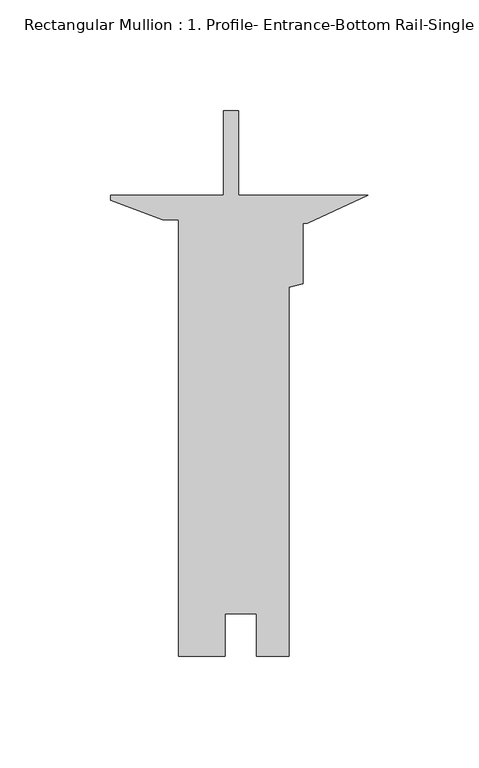
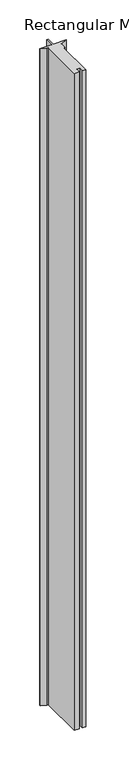
"""IFC4 building model written with IfcOpenShell, lengths in millimetres: member geometry, Rectangular Mullion : 1. Profile- Entrance-Bottom Rail-Single Acting- Detail-2."""

from ifc_helpers import new_model, si_unit, frame, origin, place, context, project, spatial, polyline, outline, extrude, source, transform, mapped, element, save


def rectangular_mullion_1_profile_entrance_bottom_rail_single_a109e44b(model_context):
    return source(origin(), model_context, "Body", "SweptSolid", [
        extrude(outline(polyline([(-116.2538462, -2.38125), (-116.2538462, -0.0012264), (-65.3347837, -0.0012264), (-65.3347837, 38.1), (-58.6037837, 38.1), (-58.6037837, 0.0), (0.0, 0.0), (-27.3538462, -12.7), (-29.4493462, -12.7), (-29.4493462, -39.9392826), (-35.7993462, -41.64076), (-35.7993462, -207.9637713), (-50.3916462, -207.9637713), (-50.3916462, -188.9391713), (-64.708345, -188.9391713), (-64.708345, -207.96377), (-85.5833462, -207.96377), (-85.5833462, -11.1125), (-92.8382212, -11.1125), (-116.2538462, -2.38125)])), frame((0.0, 0.0, -3048.0), z_axis=(0.0, 0.0, 1.0), x_axis=(1.0, 0.0, 0.0)), (0.0, 0.0, 1.0), 3048.0),
    ])


if __name__ == "__main__":
    model = new_model("IFC4")
    model_context = context("Model", 3, world=origin())
    ifc_project = project(units=[si_unit("LENGTHUNIT", "METRE", prefix="MILLI")], contexts=[model_context])
    site = spatial("IfcSite", under=ifc_project)
    building = spatial("IfcBuilding", under=site)
    placement = place(None, origin())
    rectangular_mullion_1_profile_entrance_bottom_rail_single_shape = rectangular_mullion_1_profile_entrance_bottom_rail_single_a109e44b(model_context)
    element("IfcMember", 1, ObjectType="Rectangular Mullion : 1. Profile- Entrance-Bottom Rail-Single Acting- Detail-2", at=placement, inside=building, context=model_context, shape_type="MappedRepresentation", body=[
        mapped(rectangular_mullion_1_profile_entrance_bottom_rail_single_shape, transform((0.0, 0.0, 0.0), x_axis=(1.0, 0.0, 0.0), y_axis=(0.0, 1.0, 0.0), z_axis=(0.0, 0.0, 1.0))),
    ])
    save(model, "model.ifc")
